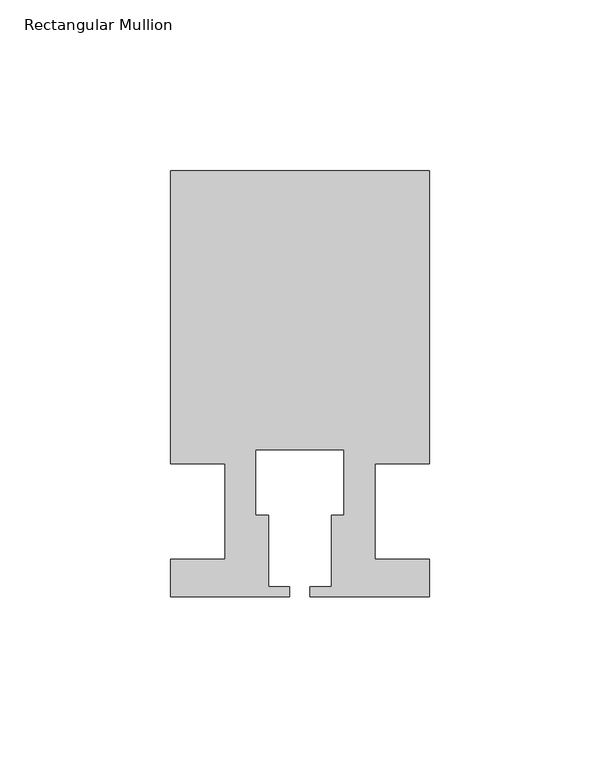
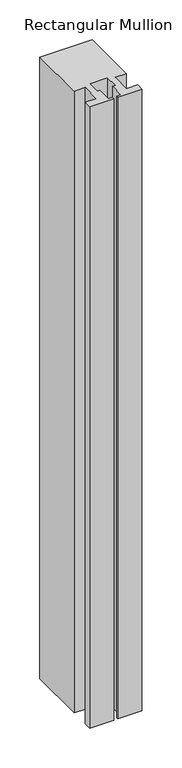
"""IFC4 building model written with IfcOpenShell, lengths in millimetres: member geometry, Rectangular Mullion."""

import ifcopenshell
import ifcopenshell.guid

model = None  # the IFC model being written
_history = None  # IfcOwnerHistory: only IFC2X3 demands one
_inside = {}  # id of a spatial element -> (the spatial element, [elements in it])
_under = {}  # id of a project, library or spatial element -> (it, [spatial elements below it])
_declared = {}  # id of a project -> (the project, [libraries it declares])
_typed = {}  # id of a type object -> (the type object, [elements of that type])
_made_of = {}  # id of a material, layer set ... -> (it, [elements and type objects made of it])


def new_model(schema):
    """Start an empty IFC model of exactly this schema.

    Asked for "IFC4X3", IfcOpenShell would pick the latest addendum, in which some entities
    have other attributes; the version numbers below select the first issue.
    IFC2X3 requires an IfcOwnerHistory on every rooted entity: one is made here for all.
    """
    global model, _history
    if schema == "IFC4X3":
        model = ifcopenshell.file(schema_version=(4, 3, 0, 0))
    else:
        model = ifcopenshell.file(schema=schema)
    _inside.clear()
    _under.clear()
    _declared.clear()
    _typed.clear()
    _made_of.clear()
    _history = None
    if model.schema == "IFC2X3":
        org = make("IfcOrganization", Name="unknown")
        user = make(
            "IfcPersonAndOrganization",
            ThePerson=make("IfcPerson", FamilyName="unknown"),
            TheOrganization=org,
        )
        app = make(
            "IfcApplication",
            ApplicationDeveloper=org,
            Version="unknown",
            ApplicationFullName="unknown",
            ApplicationIdentifier="unknown",
        )
        _history = make(
            "IfcOwnerHistory",
            OwningUser=user,
            OwningApplication=app,
            ChangeAction="ADDED",
            CreationDate=0,
        )
    return model


def make(cls, **values):
    """One entity of the class cls with the attributes given. An attribute that is None is left unset."""
    return model.create_entity(
        cls, **{name: value for name, value in values.items() if value is not None}
    )


def rooted(cls, **values):
    """An entity with a GlobalId (a new one), such as an element, a storey or a relation."""
    return make(cls, GlobalId=ifcopenshell.guid.new(), OwnerHistory=_history, **values)


def si_unit(unit_type, name, prefix=None):
    """IfcSIUnit, for example si_unit("LENGTHUNIT", "METRE", prefix="MILLI")."""
    return make("IfcSIUnit", UnitType=unit_type, Prefix=prefix, Name=name)


def assignment(units):
    """IfcUnitAssignment: the units of a project."""
    return None if units is None else make("IfcUnitAssignment", Units=units)


def point(xyz):
    """IfcCartesianPoint."""
    return None if xyz is None else make("IfcCartesianPoint", Coordinates=xyz)


def direction(xyz):
    """IfcDirection."""
    return None if xyz is None else make("IfcDirection", DirectionRatios=xyz)


def frame(location, z_axis=None, x_axis=None):
    """IfcAxis2Placement3D, a coordinate frame: its origin and axes. An axis left out is left unset."""
    return make(
        "IfcAxis2Placement3D",
        Location=point(location),
        Axis=direction(z_axis),
        RefDirection=direction(x_axis),
    )


def origin():
    """The frame at (0, 0, 0) with its axes left unset."""
    return frame((0.0, 0.0, 0.0))


def place(relative_to, where):
    """IfcLocalPlacement: puts the frame where relative to a parent placement (None: the world)."""
    return make(
        "IfcLocalPlacement", PlacementRelTo=relative_to, RelativePlacement=where
    )


def context(
    kind, dimensions, precision=None, world=None, true_north=None, identifier=None
):
    """IfcGeometricRepresentationContext, for example the 3D "Model" context."""
    return make(
        "IfcGeometricRepresentationContext",
        ContextIdentifier=identifier,
        ContextType=kind,
        CoordinateSpaceDimension=dimensions,
        Precision=precision,
        WorldCoordinateSystem=world,
        TrueNorth=true_north,
    )


def project(units=None, contexts=None):
    """IfcProject with its units and contexts."""
    return rooted(
        "IfcProject",
        Name="project",
        RepresentationContexts=contexts,
        UnitsInContext=assignment(units),
    )


def spatial(cls, under=None, at=None, **own):
    """A site, building, storey or space (cls), placed at a placement, below another one or the project."""
    s = rooted(cls, ObjectPlacement=at, **own)
    if under is not None:
        _under.setdefault(under.id(), (under, []))[1].append(s)
    return s


def polyline(points):
    """IfcPolyline through the points."""
    return make("IfcPolyline", Points=[point(p) for p in points])


def outline(outer, holes=None, kind="AREA"):
    """IfcArbitraryClosedProfileDef: a profile drawn as a closed curve; with holes, ...WithVoids."""
    if holes is None:
        return make("IfcArbitraryClosedProfileDef", ProfileType=kind, OuterCurve=outer)
    return make(
        "IfcArbitraryProfileDefWithVoids",
        ProfileType=kind,
        OuterCurve=outer,
        InnerCurves=holes,
    )


def extrude(swept, where, along, depth):
    """IfcExtrudedAreaSolid: the profile swept, set in the frame where, extruded along a direction by depth."""
    return make(
        "IfcExtrudedAreaSolid",
        SweptArea=swept,
        Position=where,
        ExtrudedDirection=direction(along),
        Depth=depth,
    )


def shape(context_of_items, identifier, shape_type, items):
    """IfcShapeRepresentation: the items that make up one representation, for example the "Body"."""
    return make(
        "IfcShapeRepresentation",
        ContextOfItems=context_of_items,
        RepresentationIdentifier=identifier,
        RepresentationType=shape_type,
        Items=items,
    )


def source(mapping_origin, context_of_items, identifier, shape_type, items):
    """IfcRepresentationMap: a shape defined once, which mapped items show again and again."""
    return make(
        "IfcRepresentationMap",
        MappingOrigin=mapping_origin,
        MappedRepresentation=shape(context_of_items, identifier, shape_type, items),
    )


def transform(
    local_origin,
    x_axis=None,
    y_axis=None,
    z_axis=None,
    scale=None,
    scale2=None,
    scale3=None,
    uniform=True,
):
    """IfcCartesianTransformationOperator3D, or its non-uniform kind. x_axis, y_axis, z_axis: its Axis1, 2, 3."""
    if uniform:
        return make(
            "IfcCartesianTransformationOperator3D",
            Axis1=direction(x_axis),
            Axis2=direction(y_axis),
            LocalOrigin=point(local_origin),
            Scale=scale,
            Axis3=direction(z_axis),
        )
    return make(
        "IfcCartesianTransformationOperator3DnonUniform",
        Axis1=direction(x_axis),
        Axis2=direction(y_axis),
        LocalOrigin=point(local_origin),
        Scale=scale,
        Axis3=direction(z_axis),
        Scale2=scale2,
        Scale3=scale3,
    )


def mapped(mapping_source, mapping_target):
    """IfcMappedItem: shows the shape of a source again, moved by a transform."""
    return make(
        "IfcMappedItem", MappingSource=mapping_source, MappingTarget=mapping_target
    )


def made_of(thing, what):
    """Note that an element or type object is made of a material, layer set ...; save() writes the relation."""
    if what is not None:
        _made_of.setdefault(what.id(), (what, []))[1].append(thing)
    return thing


def element(
    cls,
    number,
    at=None,
    inside=None,
    cuts=None,
    type_object=None,
    material=None,
    context=None,
    identifier="Body",
    shape_type=None,
    held_by="IfcProductDefinitionShape",
    body=None,
    shapes=None,
    **own,
):
    """One element of the class cls, such as IfcWall. Its Tag is "e" and its number.

    at: its placement. inside: the storey or other place that contains it. cuts: it is an
    opening in that element (IfcRelVoidsElement). A single representation is given by context,
    identifier, shape_type and body (its items); several are given by shapes. held_by: the class
    of the entity that holds the representations. save() writes the other relations.
    """
    e = rooted(cls, Tag="e%d" % number, ObjectPlacement=at, **own)
    if body is not None:
        shapes = [shape(context, identifier, shape_type, body)]
    if shapes is not None:
        e.Representation = make(held_by, Representations=shapes)
    if inside is not None:
        _inside.setdefault(inside.id(), (inside, []))[1].append(e)
    if cuts is not None:
        rooted(
            "IfcRelVoidsElement", RelatingBuildingElement=cuts, RelatedOpeningElement=e
        )
    if type_object is not None:
        _typed.setdefault(type_object.id(), (type_object, []))[1].append(e)
    return made_of(e, material)


def aggregate(whole, parts):
    """IfcRelAggregates: a whole, such as a stair, and the parts it consists of."""
    return rooted("IfcRelAggregates", RelatingObject=whole, RelatedObjects=parts)


def save(model, path):
    """Write the relations noted so far, then the file.

    IfcRelAggregates (storeys below a building ...), IfcRelContainedInSpatialStructure (elements
    in a storey), IfcRelDefinesByType, IfcRelAssociatesMaterial and IfcRelDeclares: one each for
    every whole, place, type object, material and project.
    """
    for whole, parts in _under.values():
        aggregate(whole, parts)
    for where, things in _inside.values():
        rooted(
            "IfcRelContainedInSpatialStructure",
            RelatedElements=things,
            RelatingStructure=where,
        )
    for kind, things in _typed.values():
        rooted("IfcRelDefinesByType", RelatedObjects=things, RelatingType=kind)
    for what, things in _made_of.values():
        rooted("IfcRelAssociatesMaterial", RelatedObjects=things, RelatingMaterial=what)
    for by, libraries in _declared.values():
        rooted("IfcRelDeclares", RelatingContext=by, RelatedDefinitions=libraries)
    model.write(path)


def rectangular_mullion_e6c6eba9(model_context):
    return source(origin(), model_context, "Body", "SweptSolid", [
        extrude(outline(polyline([(37.9999914, 99.9960123), (37.9999914, 13.9960123), (21.9999651, 13.9960123), (21.9999651, -14.0039877), (37.9999896, -14.0039877), (37.9999896, -25.0039877), (2.9999651, -25.0039877), (2.9999651, -22.0039877), (9.1999651, -22.0039877), (9.1999651, -1.0039877), (12.9999651, -1.0039877), (12.9999651, 18.1960075), (-12.9999633, 18.1960075), (-12.9999633, -1.0039877), (-9.1999633, -1.0039877), (-9.1999633, -22.0039877), (-2.9999896, -22.0039877), (-2.9999896, -25.0039877), (-37.9999896, -25.0039877), (-37.9999896, -14.0039877), (-21.9999633, -14.0039877), (-21.9999633, 13.9960123), (-37.9999896, 13.9960123), (-37.9999896, 99.9960123), (37.9999914, 99.9960123)])), frame((0.0, 0.0, -953.6623342), z_axis=(0.0, 0.0, 1.0), x_axis=(1.0, 0.0, 0.0)), (0.0, 0.0, 1.0), 953.6623342),
    ])


if __name__ == "__main__":
    model = new_model("IFC4")
    model_context = context("Model", 3, world=origin())
    ifc_project = project(units=[si_unit("LENGTHUNIT", "METRE", prefix="MILLI")], contexts=[model_context])
    site = spatial("IfcSite", under=ifc_project)
    building = spatial("IfcBuilding", under=site)
    placement = place(None, origin())
    rectangular_mullion_shape = rectangular_mullion_e6c6eba9(model_context)
    element("IfcMember", 1, ObjectType="Rectangular Mullion", at=placement, inside=building, context=model_context, shape_type="MappedRepresentation", body=[
        mapped(rectangular_mullion_shape, transform((0.0, 0.0, 0.0), x_axis=(1.0, 0.0, 0.0), y_axis=(0.0, 1.0, 0.0), z_axis=(0.0, 0.0, 1.0))),
    ])
    save(model, "model.ifc")
